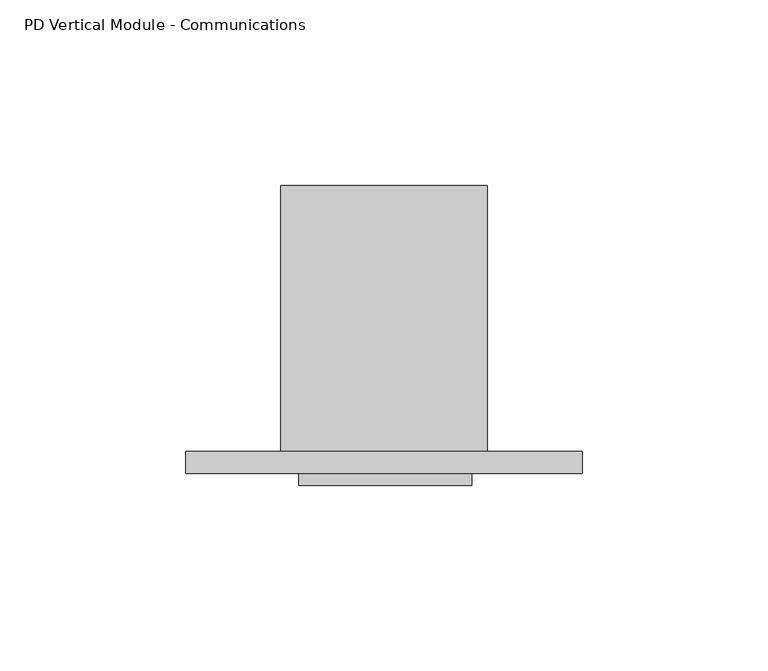
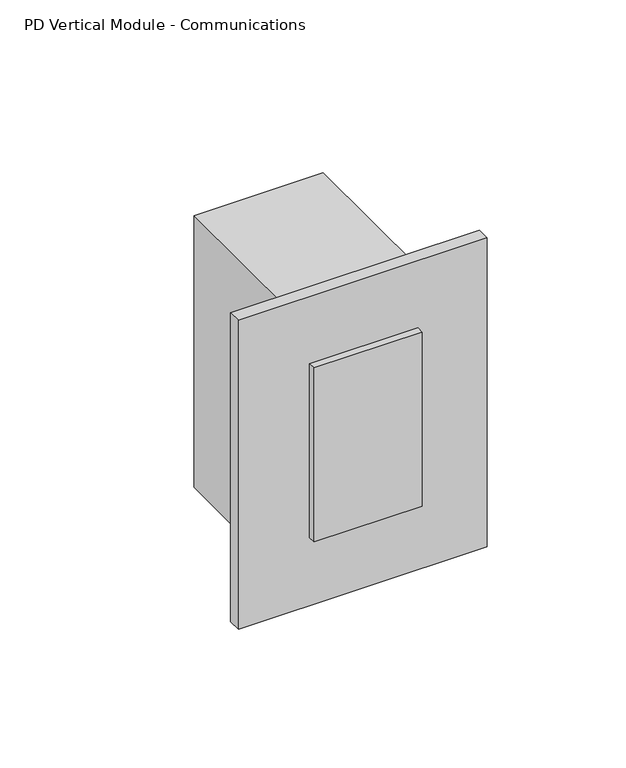
"""IFC4 building model written with IfcOpenShell, lengths in millimetres: proxy geometry, PD Vertical Module - Communications."""

from ifc_helpers import new_model, si_unit, frame, origin, place, context, project, spatial, polyline, outline, extrude, source, transform, mapped, element, save


def pd_vertical_module_communications_1fad3fac(model_context):
    return source(origin(), model_context, "Body", "SweptSolid", [
        extrude(outline(polyline([(4.8514, -5.8928), (51.3842, -5.8928), (51.3842, -9.0678), (4.8514, -9.0678), (4.8514, -5.8928)])), frame((0.0, 0.0, 341.7922742), z_axis=(0.0, 0.0, 1.0), x_axis=(1.0, 0.0, 0.0)), (0.0, 0.0, 1.0), 79.0448),
        extrude(outline(polyline([(-25.6794, 0.0), (81.2292, 0.0), (81.2292, -5.8928), (-25.6794, -5.8928), (-25.6794, 0.0)])), frame((0.0, 0.0, 310.8198), z_axis=(0.0, 0.0, 1.0), x_axis=(1.0, 0.0, 0.0)), (0.0, 0.0, 1.0), 140.3604),
        extrude(outline(polyline([(55.5498, 0.0), (0.0, 0.0), (0.0, 71.7296), (55.5498, 71.7296), (55.5498, 0.0)])), frame((0.0, 0.0, 319.2526), z_axis=(0.0, 0.0, 1.0), x_axis=(1.0, 0.0, 0.0)), (0.0, 0.0, 1.0), 123.4948),
    ])


if __name__ == "__main__":
    model = new_model("IFC4")
    model_context = context("Model", 3, world=origin())
    ifc_project = project(units=[si_unit("LENGTHUNIT", "METRE", prefix="MILLI")], contexts=[model_context])
    site = spatial("IfcSite", under=ifc_project)
    building = spatial("IfcBuilding", under=site)
    placement = place(None, origin())
    pd_vertical_module_communications_shape = pd_vertical_module_communications_1fad3fac(model_context)
    element("IfcBuildingElementProxy", 1, Name="PD Vertical Module - Communications", ObjectType="PD Vertical Module - Communications", at=placement, inside=building, context=model_context, shape_type="MappedRepresentation", body=[
        mapped(pd_vertical_module_communications_shape, transform((0.0, 0.0, 0.0), x_axis=(1.0, 0.0, 0.0), y_axis=(0.0, 1.0, 0.0), z_axis=(0.0, 0.0, 1.0))),
    ])
    save(model, "model.ifc")
